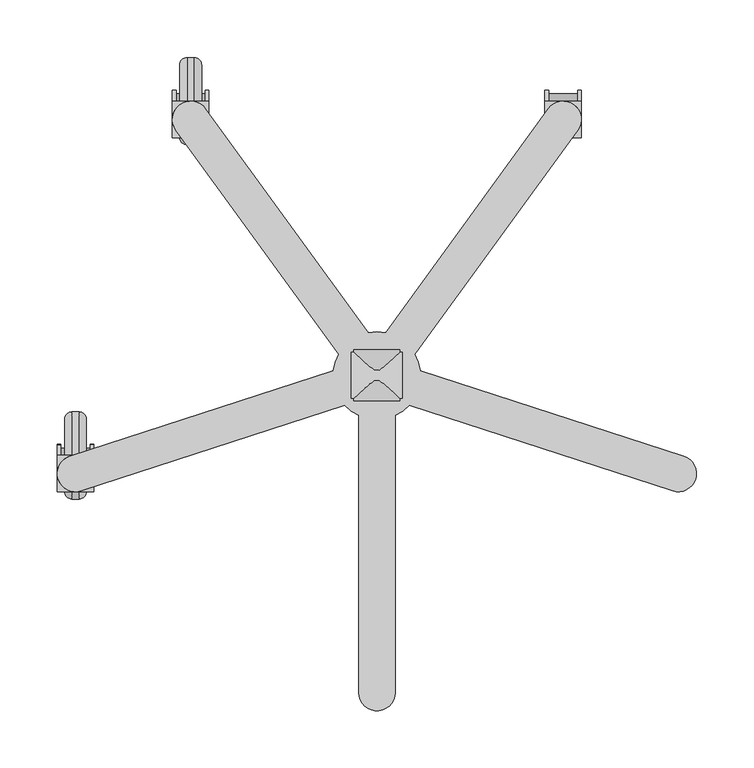
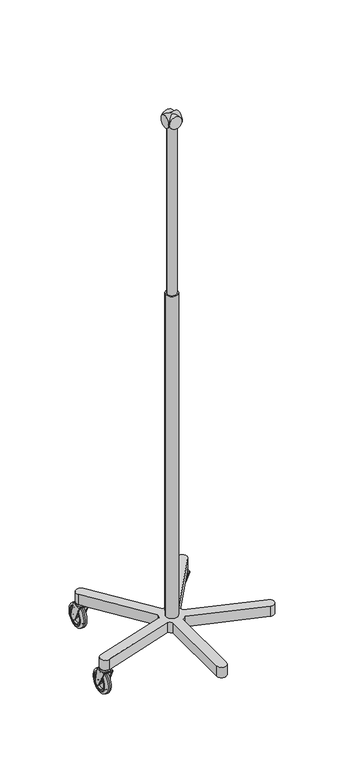
"""IFC4 building model written with IfcOpenShell, lengths in millimetres: proxy geometry."""

from ifc_helpers import new_model, si_unit, point, frame, frame_2d, origin, origin_2d, place, context, project, spatial, polyline, circle_curve, ellipse_curve, trimmed, segment, composite_curve, outline, extrude, source, transform, mapped, element, save
from ifc_brep_helpers import plane_surface, cylinder_surface, revolved_surface, advanced_brep


def specialty_equipment_94c2f83c(model_context):
    return source(origin(), model_context, "Body", "SolidModel", [
        advanced_brep(
        [(178.2359813, 248.6494633, 40.1410714), (178.2359813, 239.3457193, 82.55), (178.2359813, 239.3457193, 85.725), (178.2359813, 207.5957193, 85.725), (178.2359813, 207.5957193, 82.55), (178.2359813, 230.7482792, 34.0000428), (175.0609813, 248.6494633, 40.1410714), (175.0609813, 230.7482792, 34.0000428), (175.0609813, 207.5957193, 82.55), (175.0609813, 239.3457193, 82.55), (175.0609813, 232.9957193, 38.1), (175.0609813, 245.6957193, 38.1), (149.6609813, 245.6957193, 38.1), (149.6609813, 232.9957193, 38.1), (146.4859813, 248.6494633, 40.1410714), (146.4859813, 230.7482792, 34.0000428), (146.4859813, 207.5957193, 82.55), (146.4859813, 207.5957193, 85.725), (146.4859813, 239.3457193, 85.725), (146.4859813, 239.3457193, 82.55), (149.6609813, 248.6494633, 40.1410714), (149.6609813, 239.3457193, 82.55), (149.6609813, 207.5957193, 82.55), (149.6609813, 230.7482792, 34.0000428)],
        [
            (0, 1),
            (1, 2),
            (2, 3),
            (3, 4),
            (4, 5),
            (5, 0, circle_curve(frame((178.2359813, 239.3457193, 38.1), z_axis=(1.0, -3.968714246127546e-12, 0.0), x_axis=(-3.968714246127546e-12, -1.0, 0.0)), 9.525)),
            (6, 7, circle_curve(frame((175.0609813, 239.3457193, 38.1), z_axis=(-1.0, 3.968714246127546e-12, 0.0), x_axis=(-3.968714246127546e-12, -1.0, 0.0)), 9.525)),
            (7, 8),
            (8, 9),
            (9, 6),
            (10, 11, circle_curve(frame((175.0609813, 239.3457193, 38.1), z_axis=(1.0, -3.968714246127546e-12, 0.0), x_axis=(-3.968714246127546e-12, -1.0, 0.0)), 6.35)),
            (11, 10, circle_curve(frame((175.0609813, 239.3457193, 38.1), z_axis=(1.0, -3.968714246127546e-12, 0.0), x_axis=(-3.968714246127546e-12, -1.0, 0.0)), 6.35)),
            (0, 6),
            (9, 1),
            (4, 8),
            (7, 5),
            (12, 11),
            (10, 13),
            (13, 12, circle_curve(frame((149.6609813, 239.3457193, 38.1), z_axis=(1.0, -3.968714246127546e-12, 0.0), x_axis=(-3.968714246127546e-12, -1.0, 0.0)), 6.35)),
            (12, 13, circle_curve(frame((149.6609813, 239.3457193, 38.1), z_axis=(1.0, -3.968714246127546e-12, 0.0), x_axis=(-3.968714246127546e-12, -1.0, 0.0)), 6.35)),
            (14, 15, circle_curve(frame((146.4859813, 239.3457193, 38.1), z_axis=(-1.0, 3.968714246127546e-12, 0.0), x_axis=(-3.968714246127546e-12, -1.0, 0.0)), 9.525)),
            (15, 16),
            (16, 17),
            (17, 18),
            (18, 19),
            (19, 14),
            (20, 21),
            (21, 22),
            (22, 23),
            (23, 20, circle_curve(frame((149.6609813, 239.3457193, 38.1), z_axis=(1.0, -3.968714246127546e-12, 0.0), x_axis=(-3.968714246127546e-12, -1.0, 0.0)), 9.525)),
            (14, 20),
            (23, 15),
            (22, 16),
            (19, 21),
            (2, 18),
            (17, 3),
            (21, 9),
            (8, 22),
        ],
        [
            plane_surface(frame((178.2359813, 239.3457193, 82.55), z_axis=(1.0, -3.968714246127546e-12, 0.0), x_axis=(0.0, -0.21428571428571286, 0.9767710236555248))),
            plane_surface(frame((175.0609813, 239.3457193, 82.55), z_axis=(-1.0, 3.968714246127546e-12, 0.0), x_axis=(0.0, 0.21428571428571286, -0.9767710236555248))),
            plane_surface(frame((178.2359813, 248.6494633, 40.1410714), z_axis=(3.876633520154292e-12, 0.9767710236555248, 0.21428571428571286), x_axis=(-1.0, 3.968825268430008e-12, 0.0))),
            plane_surface(frame((178.2359813, 207.5957193, 82.55), z_axis=(-3.5823346391922366e-12, -0.9026183812343395, -0.4304417008816649), x_axis=(-1.0, 3.968825268430008e-12, 0.0))),
            cylinder_surface(frame((175.0609813, 239.3457193, 38.1), z_axis=(1.0, -3.968714246127546e-12, 0.0), x_axis=(-3.968714246127546e-12, -1.0, 0.0)), 9.525),
            cylinder_surface(frame((175.0609813, 239.3457193, 38.1), z_axis=(-1.0, 3.968714246127546e-12, 0.0), x_axis=(-3.968714246127546e-12, -1.0, 0.0)), 6.35),
            plane_surface(frame((146.4859813, 229.8207193, 38.1), z_axis=(-1.0, 3.968714246127546e-12, 0.0), x_axis=(0.0, 0.0, 1.0))),
            plane_surface(frame((149.6609813, 229.8207193, 38.1), z_axis=(1.0, -3.968714246127546e-12, 0.0), x_axis=(0.0, 0.0, -1.0))),
            cylinder_surface(frame((149.6609813, 239.3457193, 38.1), z_axis=(-1.0, 3.968714246127546e-12, 0.0), x_axis=(-3.968714246127546e-12, -1.0, 0.0)), 9.525),
            plane_surface(frame((146.4859813, 230.7482792, 34.0000428), z_axis=(-3.5823346391922366e-12, -0.9026183812343395, -0.4304417008816649), x_axis=(1.0, -3.968825268430008e-12, 0.0))),
            plane_surface(frame((146.4859813, 239.3457193, 82.55), z_axis=(3.876633520154292e-12, 0.9767710236555248, 0.21428571428571286), x_axis=(1.0, -3.968825268430008e-12, 0.0))),
            plane_surface(frame((178.2359813, 239.3457193, 85.725), z_axis=(0.0, 0.0, 1.0), x_axis=(3.968692041667055e-12, 1.0, 0.0))),
            plane_surface(frame((178.2359813, 239.3457193, 82.55), z_axis=(0.0, 0.0, -1.0), x_axis=(-3.968692041667055e-12, -1.0, 0.0))),
            plane_surface(frame((178.2359813, 239.3457193, 85.725), z_axis=(3.9687586550484555e-12, 1.0, 0.0), x_axis=(0.0, 0.0, -1.0))),
            plane_surface(frame((146.4859813, 207.5957193, 85.725), z_axis=(-3.968692041666978e-12, -1.0, 0.0), x_axis=(0.0, 0.0, -1.0))),
        ],
        [
            (0, [[1, 2, 3, 4, 5, 6]]),
            (1, [[7, 8, 9, 10], [11, 12]]),
            (2, [[-1, 13, -10, 14]]),
            (3, [[-5, 15, -8, 16]]),
            (4, [[-6, -16, -7, -13]]),
            (5, [[17, -11, 18, 19]]),
            (5, [[-17, 20, -18, -12]]),
            (6, [[21, 22, 23, 24, 25, 26]]),
            (7, [[27, 28, 29, 30], [-19, -20]]),
            (8, [[-21, 31, -30, 32]]),
            (9, [[-22, -32, -29, 33]]),
            (10, [[-26, 34, -27, -31]]),
            (11, [[-3, 35, -24, 36]]),
            (12, [[37, -9, 38, -28]]),
            (13, [[-35, -2, -14, -37, -34, -25]]),
            (14, [[-36, -23, -33, -38, -15, -4]]),
        ],
    ),
        extrude(outline(composite_curve([segment(trimmed(circle_curve(frame_2d((162.3609813, 223.4707193)), 15.875), [point((162.3609813, 239.3457193))], [point((162.3609813, 207.5957193))], False, "CARTESIAN"), True, "CONTINUOUS"), segment(trimmed(circle_curve(frame_2d((162.3609813, 223.4707193)), 15.875), [point((162.3609813, 207.5957193))], [point((162.3609813, 239.3457193))], False, "CARTESIAN"), True, "CONTINUOUS")], self_intersect=False)), frame((0.0, 0.0, 85.725), z_axis=(0.0, 0.0, 1.0), x_axis=(1.0, 0.0, 0.0)), (0.0, 0.0, 1.0), 6.35),
        advanced_brep(
        [(-171.8859813, 239.3457193, 6.35), (-171.8859813, 239.3457193, 69.85), (-165.5359813, 239.3457193, 76.2), (-165.5359813, 239.3457193, 0.0), (-171.8859813, 239.3457193, 10.16), (-171.8859813, 239.3457193, 66.04), (-152.8359813, 239.3457193, 10.16), (-152.8359813, 239.3457193, 66.04), (-152.8359813, 239.3457193, 6.35), (-152.8359813, 239.3457193, 69.85), (-159.1859813, 239.3457193, 0.0), (-159.1859813, 239.3457193, 76.2)],
        [
            (0, 1, circle_curve(frame((-171.8859813, 239.3457193, 38.1), z_axis=(1.0, 0.0, 0.0), x_axis=(0.0, 0.0, 1.0)), 31.75)),
            (1, 2, circle_curve(frame((-165.5359813, 239.3457193, 69.85), z_axis=(0.0, 0.9999999999999999, 0.0), x_axis=(0.9999999999999999, 0.0, 0.0)), 6.35)),
            (2, 3, circle_curve(frame((-165.5359813, 239.3457193, 38.1), z_axis=(-1.0, 0.0, 0.0), x_axis=(0.0, 0.0, 1.0)), 38.1)),
            (3, 0, circle_curve(frame((-165.5359813, 239.3457193, 6.35), z_axis=(0.0, 0.9999999999999999, 0.0), x_axis=(0.9999999999999999, 0.0, 0.0)), 6.35)),
            (1, 0, circle_curve(frame((-171.8859813, 239.3457193, 38.1), z_axis=(1.0, 0.0, 0.0), x_axis=(0.0, 0.0, 1.0)), 31.75)),
            (3, 2, circle_curve(frame((-165.5359813, 239.3457193, 38.1), z_axis=(-1.0, 0.0, 0.0), x_axis=(0.0, 0.0, 1.0)), 38.1)),
            (4, 5, circle_curve(frame((-171.8859813, 239.3457193, 38.1), z_axis=(1.0, 0.0, 0.0), x_axis=(0.0, 0.0, 1.0)), 27.94)),
            (5, 1),
            (0, 4),
            (5, 4, circle_curve(frame((-171.8859813, 239.3457193, 38.1), z_axis=(1.0, 0.0, 0.0), x_axis=(0.0, 0.0, 1.0)), 27.94)),
            (6, 7, circle_curve(frame((-152.8359813, 239.3457193, 38.1), z_axis=(1.0, 0.0, 0.0), x_axis=(0.0, 0.0, 1.0)), 27.94)),
            (7, 5),
            (4, 6),
            (7, 6, circle_curve(frame((-152.8359813, 239.3457193, 38.1), z_axis=(1.0, 0.0, 0.0), x_axis=(0.0, 0.0, 1.0)), 27.94)),
            (8, 9, circle_curve(frame((-152.8359813, 239.3457193, 38.1), z_axis=(1.0, 0.0, 0.0), x_axis=(0.0, 0.0, 1.0)), 31.75)),
            (9, 7),
            (6, 8),
            (9, 8, circle_curve(frame((-152.8359813, 239.3457193, 38.1), z_axis=(1.0, 0.0, 0.0), x_axis=(0.0, 0.0, 1.0)), 31.75)),
            (10, 11, circle_curve(frame((-159.1859813, 239.3457193, 38.1), z_axis=(1.0, 0.0, 0.0), x_axis=(0.0, 0.0, 1.0)), 38.1)),
            (11, 9, circle_curve(frame((-159.1859813, 239.3457193, 69.85), z_axis=(0.0, 0.9999999999999999, 0.0), x_axis=(0.9999999999999999, 0.0, 0.0)), 6.35)),
            (8, 10, circle_curve(frame((-159.1859813, 239.3457193, 6.35), z_axis=(0.0, 0.9999999999999999, 0.0), x_axis=(0.9999999999999999, 0.0, 0.0)), 6.35)),
            (11, 10, circle_curve(frame((-159.1859813, 239.3457193, 38.1), z_axis=(1.0, 0.0, 0.0), x_axis=(0.0, 0.0, 1.0)), 38.1)),
            (2, 11),
            (10, 3),
        ],
        [
            revolved_surface(trimmed(ellipse_curve(frame((-165.5359813, 239.3457193, 69.85), z_axis=(0.0, -0.9999999999999999, 0.0), x_axis=(0.9999999999999999, 0.0, 0.0)), 6.35, 6.35), [point((-165.5359813, 239.3457193, 76.2))], [point((-171.8859813, 239.3457193, 69.85))], True, "CARTESIAN"), (-184.5859813, 239.3457193, 38.1), (-0.9999999999999999, 0.0, 0.0)),
            plane_surface(frame((-171.8859813, 239.3457193, 38.1), z_axis=(-1.0, 0.0, 0.0), x_axis=(0.0, 0.0, 1.0))),
            revolved_surface(polyline([(-171.8859813, 239.3457193, 66.04), (-152.8359813, 239.3457193, 66.04)]), (-184.5859813, 239.3457193, 38.1), (-0.9999999999999999, 0.0, 0.0)),
            plane_surface(frame((-152.8359813, 239.3457193, 38.1), z_axis=(1.0, 0.0, 0.0), x_axis=(0.0, 0.0, 1.0))),
            revolved_surface(trimmed(ellipse_curve(frame((-159.1859813, 239.3457193, 69.85), z_axis=(0.0, -0.9999999999999999, 0.0), x_axis=(0.9999999999999999, 0.0, 0.0)), 6.35, 6.35), [point((-152.8359813, 239.3457193, 69.85))], [point((-159.1859813, 239.3457193, 76.2))], True, "CARTESIAN"), (-184.5859813, 239.3457193, 38.1), (-0.9999999999999999, 0.0, 0.0)),
            cylinder_surface(frame((-184.5859813, 239.3457193, 38.1), z_axis=(-0.9999999999999999, 0.0, 0.0), x_axis=(0.0, 0.0, 1.0)), 38.1),
        ],
        [
            (0, [[1, 2, 3, 4]]),
            (0, [[5, -4, 6, -2]]),
            (1, [[7, 8, -1, 9]]),
            (1, [[10, -9, -5, -8]]),
            (2, [[11, 12, -7, 13]]),
            (2, [[14, -13, -10, -12]]),
            (3, [[15, 16, -11, 17]]),
            (3, [[18, -17, -14, -16]]),
            (4, [[19, 20, -15, 21]]),
            (4, [[22, -21, -18, -20]]),
            (5, [[-3, 23, -19, 24]]),
            (5, [[-6, -24, -22, -23]]),
        ],
    ),
        advanced_brep(
        [(-171.8859813, 267.2857193, 38.1), (-171.8859813, 211.4057193, 38.1), (-171.8859813, 262.2057193, 38.1), (-171.8859813, 216.4857193, 38.1), (-171.8859813, 245.6957193, 38.1), (-171.8859813, 232.9957193, 38.1), (-165.5359813, 267.2857193, 38.1), (-165.5359813, 211.4057193, 38.1), (-165.5359813, 245.6957193, 38.1), (-165.5359813, 232.9957193, 38.1), (-165.5359813, 262.2057193, 38.1), (-165.5359813, 216.4857193, 38.1), (-159.1859813, 216.4857193, 38.1), (-159.1859813, 262.2057193, 38.1), (-159.1859813, 232.9957193, 38.1), (-159.1859813, 245.6957193, 38.1), (-159.1859813, 267.2857193, 38.1), (-159.1859813, 211.4057193, 38.1), (-152.8359813, 267.2857193, 38.1), (-152.8359813, 211.4057193, 38.1), (-152.8359813, 262.2057193, 38.1), (-152.8359813, 216.4857193, 38.1), (-152.8359813, 245.6957193, 38.1), (-152.8359813, 232.9957193, 38.1)],
        [
            (0, 1, circle_curve(frame((-171.8859813, 239.3457193, 38.1), z_axis=(-1.0, 3.888944721808229e-12, 0.0), x_axis=(-3.888944721808228e-12, -0.9999999999999999, 0.0)), 27.94)),
            (1, 0, circle_curve(frame((-171.8859813, 239.3457193, 38.1), z_axis=(-1.0, 3.888944721808229e-12, 0.0), x_axis=(-3.888944721808228e-12, -0.9999999999999999, 0.0)), 27.94)),
            (2, 3, circle_curve(frame((-171.8859813, 239.3457193, 38.1), z_axis=(1.0, -3.888944721808229e-12, 0.0), x_axis=(-3.888944721808228e-12, -0.9999999999999999, 0.0)), 22.86)),
            (3, 2, circle_curve(frame((-171.8859813, 239.3457193, 38.1), z_axis=(1.0, -3.888944721808229e-12, 0.0), x_axis=(-3.888944721808228e-12, -0.9999999999999999, 0.0)), 22.86)),
            (4, 5, circle_curve(frame((-171.8859813, 239.3457193, 38.1), z_axis=(-1.0, 3.888944721808229e-12, 0.0), x_axis=(-3.888944721808228e-12, -0.9999999999999999, 0.0)), 6.35)),
            (5, 4, circle_curve(frame((-171.8859813, 239.3457193, 38.1), z_axis=(-1.0, 3.888944721808229e-12, 0.0), x_axis=(-3.888944721808228e-12, -0.9999999999999999, 0.0)), 6.35)),
            (0, 6),
            (6, 7, circle_curve(frame((-165.5359813, 239.3457193, 38.1), z_axis=(-1.0, 3.888944721808229e-12, 0.0), x_axis=(-3.888944721808228e-12, -0.9999999999999999, 0.0)), 27.94)),
            (7, 1),
            (7, 6, circle_curve(frame((-165.5359813, 239.3457193, 38.1), z_axis=(-1.0, 3.888944721808229e-12, 0.0), x_axis=(-3.888944721808228e-12, -0.9999999999999999, 0.0)), 27.94)),
            (4, 8),
            (8, 9, circle_curve(frame((-165.5359813, 239.3457193, 38.1), z_axis=(-1.0, 3.888944721808229e-12, 0.0), x_axis=(-3.888944721808228e-12, -0.9999999999999999, 0.0)), 6.35)),
            (9, 5),
            (9, 8, circle_curve(frame((-165.5359813, 239.3457193, 38.1), z_axis=(-1.0, 3.888944721808229e-12, 0.0), x_axis=(-3.888944721808228e-12, -0.9999999999999999, 0.0)), 6.35)),
            (2, 10),
            (10, 11, circle_curve(frame((-165.5359813, 239.3457193, 38.1), z_axis=(1.0, -3.888944721808229e-12, 0.0), x_axis=(-3.888944721808228e-12, -0.9999999999999999, 0.0)), 22.86)),
            (11, 3),
            (11, 10, circle_curve(frame((-165.5359813, 239.3457193, 38.1), z_axis=(1.0, -3.888944721808229e-12, 0.0), x_axis=(-3.888944721808228e-12, -0.9999999999999999, 0.0)), 22.86)),
            (12, 13, circle_curve(frame((-159.1859813, 239.3457193, 38.1), z_axis=(1.0, -3.888944721808229e-12, 0.0), x_axis=(-3.888944721808228e-12, -0.9999999999999999, 0.0)), 22.86)),
            (13, 12, circle_curve(frame((-159.1859813, 239.3457193, 38.1), z_axis=(1.0, -3.888944721808229e-12, 0.0), x_axis=(-3.888944721808228e-12, -0.9999999999999999, 0.0)), 22.86)),
            (14, 15, circle_curve(frame((-159.1859813, 239.3457193, 38.1), z_axis=(-1.0, 3.888944721808229e-12, 0.0), x_axis=(-3.888944721808228e-12, -0.9999999999999999, 0.0)), 6.35)),
            (15, 14, circle_curve(frame((-159.1859813, 239.3457193, 38.1), z_axis=(-1.0, 3.888944721808229e-12, 0.0), x_axis=(-3.888944721808228e-12, -0.9999999999999999, 0.0)), 6.35)),
            (6, 16),
            (16, 17, circle_curve(frame((-159.1859813, 239.3457193, 38.1), z_axis=(-1.0, 3.888944721808229e-12, 0.0), x_axis=(-3.888944721808228e-12, -0.9999999999999999, 0.0)), 27.94)),
            (17, 7),
            (17, 16, circle_curve(frame((-159.1859813, 239.3457193, 38.1), z_axis=(-1.0, 3.888944721808229e-12, 0.0), x_axis=(-3.888944721808228e-12, -0.9999999999999999, 0.0)), 27.94)),
            (18, 19, circle_curve(frame((-152.8359813, 239.3457193, 38.1), z_axis=(1.0, -3.888944721808229e-12, 0.0), x_axis=(-3.888944721808228e-12, -0.9999999999999999, 0.0)), 27.94)),
            (19, 18, circle_curve(frame((-152.8359813, 239.3457193, 38.1), z_axis=(1.0, -3.888944721808229e-12, 0.0), x_axis=(-3.888944721808228e-12, -0.9999999999999999, 0.0)), 27.94)),
            (20, 21, circle_curve(frame((-152.8359813, 239.3457193, 38.1), z_axis=(-1.0, 3.888944721808229e-12, 0.0), x_axis=(-3.888944721808228e-12, -0.9999999999999999, 0.0)), 22.86)),
            (21, 20, circle_curve(frame((-152.8359813, 239.3457193, 38.1), z_axis=(-1.0, 3.888944721808229e-12, 0.0), x_axis=(-3.888944721808228e-12, -0.9999999999999999, 0.0)), 22.86)),
            (22, 23, circle_curve(frame((-152.8359813, 239.3457193, 38.1), z_axis=(1.0, -3.888944721808229e-12, 0.0), x_axis=(-3.888944721808228e-12, -0.9999999999999999, 0.0)), 6.35)),
            (23, 22, circle_curve(frame((-152.8359813, 239.3457193, 38.1), z_axis=(1.0, -3.888944721808229e-12, 0.0), x_axis=(-3.888944721808228e-12, -0.9999999999999999, 0.0)), 6.35)),
            (18, 16),
            (17, 19),
            (22, 15),
            (14, 23),
            (20, 13),
            (12, 21),
        ],
        [
            plane_surface(frame((-171.8859813, 211.4057193, 38.1), z_axis=(-1.0, 3.888944721808229e-12, 0.0), x_axis=(0.0, 0.0, 1.0))),
            cylinder_surface(frame((-165.5359813, 239.3457193, 38.1), z_axis=(-0.9999999999999999, 3.888944721808228e-12, 0.0), x_axis=(-3.888944721808228e-12, -0.9999999999999999, 0.0)), 27.94),
            cylinder_surface(frame((-162.3609813, 239.3457193, 38.1), z_axis=(-0.9999999999999999, 3.888944721808228e-12, 0.0), x_axis=(-3.888944721808228e-12, -0.9999999999999999, 0.0)), 6.35),
            revolved_surface(polyline([(-165.5359813, 216.48571930001236, 38.1), (-171.8859813001778, 216.48571930003706, 38.1)]), (-162.3609813, 239.3457193, 38.1), (0.9999999999999999, -3.888944721808228e-12, 0.0)),
            plane_surface(frame((-165.5359813, 211.4057193, 38.1), z_axis=(-1.0, 3.888944721808229e-12, 0.0), x_axis=(0.0, 0.0, 1.0))),
            plane_surface(frame((-159.1859813, 211.4057193, 38.1), z_axis=(1.0, -3.888944721808229e-12, 0.0), x_axis=(0.0, 0.0, -1.0))),
            cylinder_surface(frame((-159.1859813, 239.3457193, 38.1), z_axis=(-0.9999999999999999, 3.888944721808228e-12, 0.0), x_axis=(-3.888944721808228e-12, -0.9999999999999999, 0.0)), 27.94),
            plane_surface(frame((-152.8359813, 211.4057193, 38.1), z_axis=(1.0, -3.888944721808229e-12, 0.0), x_axis=(0.0, 0.0, -1.0))),
            cylinder_surface(frame((-159.1859813, 239.3457193, 38.1), z_axis=(0.9999999999999999, -3.888944721808228e-12, 0.0), x_axis=(-3.888944721808228e-12, -0.9999999999999999, 0.0)), 27.94),
            cylinder_surface(frame((-162.3609813, 239.3457193, 38.1), z_axis=(0.9999999999999999, -3.888944721808228e-12, 0.0), x_axis=(-3.888944721808228e-12, -0.9999999999999999, 0.0)), 6.35),
            revolved_surface(polyline([(-159.18598130017782, 216.4857192999877, 38.1), (-152.8359813, 216.485719299963, 38.1)]), (-162.3609813, 239.3457193, 38.1), (-0.9999999999999999, 3.888944721808228e-12, 0.0)),
        ],
        [
            (0, [[1, 2], [3, 4]]),
            (0, [[5, 6]]),
            (1, [[-1, 7, 8, 9]]),
            (1, [[-2, -9, 10, -7]]),
            (2, [[-5, 11, 12, 13]]),
            (2, [[-6, -13, 14, -11]]),
            (3, [[-3, 15, 16, 17]]),
            (3, [[-4, -17, 18, -15]]),
            (4, [[-16, -18], [-12, -14]]),
            (5, [[19, 20], [21, 22]]),
            (6, [[23, 24, 25, -8]]),
            (6, [[-23, -10, -25, 26]]),
            (7, [[27, 28], [29, 30]]),
            (7, [[31, 32]]),
            (8, [[-27, 33, -26, 34]]),
            (8, [[-28, -34, -24, -33]]),
            (9, [[-31, 35, -21, 36]]),
            (9, [[-32, -36, -22, -35]]),
            (10, [[-29, 37, -19, 38]]),
            (10, [[-30, -38, -20, -37]]),
        ],
    ),
        advanced_brep(
        [(-146.4859813, 248.6494633, 40.1410714), (-146.4859813, 239.3457193, 82.55), (-146.4859813, 239.3457193, 85.725), (-146.4859813, 207.5957193, 85.725), (-146.4859813, 207.5957193, 82.55), (-146.4859813, 230.7482792, 34.0000428), (-149.6609813, 248.6494633, 40.1410714), (-149.6609813, 230.7482792, 34.0000428), (-149.6609813, 207.5957193, 82.55), (-149.6609813, 239.3457193, 82.55), (-149.6609813, 232.9957193, 38.1), (-149.6609813, 245.6957193, 38.1), (-175.0609813, 245.6957193, 38.1), (-175.0609813, 232.9957193, 38.1), (-178.2359813, 248.6494633, 40.1410714), (-178.2359813, 230.7482792, 34.0000428), (-178.2359813, 207.5957193, 82.55), (-178.2359813, 207.5957193, 85.725), (-178.2359813, 239.3457193, 85.725), (-178.2359813, 239.3457193, 82.55), (-175.0609813, 248.6494633, 40.1410714), (-175.0609813, 239.3457193, 82.55), (-175.0609813, 207.5957193, 82.55), (-175.0609813, 230.7482792, 34.0000428)],
        [
            (0, 1),
            (1, 2),
            (2, 3),
            (3, 4),
            (4, 5),
            (5, 0, circle_curve(frame((-146.4859813, 239.3457193, 38.1), z_axis=(1.0, -3.888944721808229e-12, 0.0), x_axis=(-3.888944721808228e-12, -0.9999999999999999, 0.0)), 9.525)),
            (6, 7, circle_curve(frame((-149.6609813, 239.3457193, 38.1), z_axis=(-1.0, 3.888944721808229e-12, 0.0), x_axis=(-3.888944721808228e-12, -0.9999999999999999, 0.0)), 9.525)),
            (7, 8),
            (8, 9),
            (9, 6),
            (10, 11, circle_curve(frame((-149.6609813, 239.3457193, 38.1), z_axis=(1.0, -3.888944721808229e-12, 0.0), x_axis=(-3.888944721808228e-12, -0.9999999999999999, 0.0)), 6.35)),
            (11, 10, circle_curve(frame((-149.6609813, 239.3457193, 38.1), z_axis=(1.0, -3.888944721808229e-12, 0.0), x_axis=(-3.888944721808228e-12, -0.9999999999999999, 0.0)), 6.35)),
            (0, 6),
            (9, 1),
            (4, 8),
            (7, 5),
            (12, 11),
            (10, 13),
            (13, 12, circle_curve(frame((-175.0609813, 239.3457193, 38.1), z_axis=(1.0, -3.888944721808229e-12, 0.0), x_axis=(-3.888944721808228e-12, -0.9999999999999999, 0.0)), 6.35)),
            (12, 13, circle_curve(frame((-175.0609813, 239.3457193, 38.1), z_axis=(1.0, -3.888944721808229e-12, 0.0), x_axis=(-3.888944721808228e-12, -0.9999999999999999, 0.0)), 6.35)),
            (14, 15, circle_curve(frame((-178.2359813, 239.3457193, 38.1), z_axis=(-1.0, 3.888944721808229e-12, 0.0), x_axis=(-3.888944721808228e-12, -0.9999999999999999, 0.0)), 9.525)),
            (15, 16),
            (16, 17),
            (17, 18),
            (18, 19),
            (19, 14),
            (20, 21),
            (21, 22),
            (22, 23),
            (23, 20, circle_curve(frame((-175.0609813, 239.3457193, 38.1), z_axis=(1.0, -3.888944721808229e-12, 0.0), x_axis=(-3.888944721808228e-12, -0.9999999999999999, 0.0)), 9.525)),
            (14, 20),
            (23, 15),
            (22, 16),
            (19, 21),
            (2, 18),
            (17, 3),
            (21, 9),
            (8, 22),
        ],
        [
            plane_surface(frame((-146.4859813, 239.3457193, 82.55), z_axis=(1.0, -3.8889447218082296e-12, 0.0), x_axis=(0.0, -0.21428571428571286, 0.9767710236555249))),
            plane_surface(frame((-149.6609813, 239.3457193, 82.55), z_axis=(-1.0, 3.8889447218082296e-12, 0.0), x_axis=(0.0, 0.21428571428571286, -0.9767710236555249))),
            plane_surface(frame((-146.4859813, 248.6494633, 40.1410714), z_axis=(3.798716960228399e-12, 0.9767710236555249, 0.21428571428571286), x_axis=(-1.0, 3.889055744110691e-12, 0.0))),
            plane_surface(frame((-146.4859813, 207.5957193, 82.55), z_axis=(-3.5103332002793018e-12, -0.9026183812343395, -0.43044170088166483), x_axis=(-1.0, 3.889055744110691e-12, 0.0))),
            cylinder_surface(frame((-149.6609813, 239.3457193, 38.1), z_axis=(0.9999999999999999, -3.888944721808228e-12, 0.0), x_axis=(-3.888944721808228e-12, -0.9999999999999999, 0.0)), 9.525),
            cylinder_surface(frame((-149.6609813, 239.3457193, 38.1), z_axis=(-0.9999999999999999, 3.888944721808228e-12, 0.0), x_axis=(-3.888944721808228e-12, -0.9999999999999999, 0.0)), 6.35),
            plane_surface(frame((-178.2359813, 229.8207193, 38.1), z_axis=(-1.0, 3.888944721808229e-12, 0.0), x_axis=(0.0, 0.0, 1.0))),
            plane_surface(frame((-175.0609813, 229.8207193, 38.1), z_axis=(1.0, -3.888944721808229e-12, 0.0), x_axis=(0.0, 0.0, -1.0))),
            cylinder_surface(frame((-175.0609813, 239.3457193, 38.1), z_axis=(-0.9999999999999999, 3.888944721808228e-12, 0.0), x_axis=(-3.888944721808228e-12, -0.9999999999999999, 0.0)), 9.525),
            plane_surface(frame((-178.2359813, 230.7482792, 34.0000428), z_axis=(-3.5103332002793018e-12, -0.9026183812343395, -0.43044170088166483), x_axis=(1.0, -3.889055744110691e-12, 0.0))),
            plane_surface(frame((-178.2359813, 239.3457193, 82.55), z_axis=(3.798716960228399e-12, 0.9767710236555249, 0.21428571428571286), x_axis=(1.0, -3.889055744110691e-12, 0.0))),
            plane_surface(frame((-146.4859813, 239.3457193, 85.725), z_axis=(0.0, 0.0, 1.0), x_axis=(3.888922517347738e-12, 1.0, 0.0))),
            plane_surface(frame((-146.4859813, 239.3457193, 82.55), z_axis=(0.0, 0.0, -1.0), x_axis=(-3.888922517347738e-12, -1.0, 0.0))),
            plane_surface(frame((-146.4859813, 239.3457193, 85.725), z_axis=(3.888989130729139e-12, 1.0, 0.0), x_axis=(0.0, 0.0, -1.0))),
            plane_surface(frame((-178.2359813, 207.5957193, 85.725), z_axis=(-3.888922517347661e-12, -1.0, 0.0), x_axis=(0.0, 0.0, -1.0))),
        ],
        [
            (0, [[1, 2, 3, 4, 5, 6]]),
            (1, [[7, 8, 9, 10], [11, 12]]),
            (2, [[-1, 13, -10, 14]]),
            (3, [[-5, 15, -8, 16]]),
            (4, [[-6, -16, -7, -13]]),
            (5, [[17, -11, 18, 19]]),
            (5, [[-17, 20, -18, -12]]),
            (6, [[21, 22, 23, 24, 25, 26]]),
            (7, [[27, 28, 29, 30], [-19, -20]]),
            (8, [[-21, 31, -30, 32]]),
            (9, [[-22, -32, -29, 33]]),
            (10, [[-26, 34, -27, -31]]),
            (11, [[-3, 35, -24, 36]]),
            (12, [[37, -9, 38, -28]]),
            (13, [[-35, -2, -14, -37, -34, -25]]),
            (14, [[-36, -23, -33, -38, -15, -4]]),
        ],
    ),
        extrude(outline(composite_curve([segment(trimmed(circle_curve(frame_2d((-162.3609813, 223.4707193)), 15.875), [point((-162.3609813, 239.3457193))], [point((-162.3609813, 207.5957193))], False, "CARTESIAN"), True, "CONTINUOUS"), segment(trimmed(circle_curve(frame_2d((-162.3609813, 223.4707193)), 15.875), [point((-162.3609813, 207.5957193))], [point((-162.3609813, 239.3457193))], False, "CARTESIAN"), True, "CONTINUOUS")], self_intersect=False)), frame((0.0, 0.0, 85.725), z_axis=(0.0, 0.0, 1.0), x_axis=(1.0, 0.0, 0.0)), (0.0, 0.0, 1.0), 6.35),
        advanced_brep(
        [(-272.2305862, -69.4832193, 6.35), (-272.2305862, -69.4832193, 69.85), (-265.8805862, -69.4832193, 76.2), (-265.8805862, -69.4832193, 0.0), (-272.2305862, -69.4832193, 10.16), (-272.2305862, -69.4832193, 66.04), (-253.1805862, -69.4832193, 10.16), (-253.1805862, -69.4832193, 66.04), (-253.1805862, -69.4832193, 6.35), (-253.1805862, -69.4832193, 69.85), (-259.5305862, -69.4832193, 0.0), (-259.5305862, -69.4832193, 76.2)],
        [
            (0, 1, circle_curve(frame((-272.2305862, -69.4832193, 38.1), z_axis=(1.0, 0.0, 0.0), x_axis=(0.0, 0.0, 1.0)), 31.75)),
            (1, 2, circle_curve(frame((-265.8805862, -69.4832193, 69.85), z_axis=(0.0, 1.0, 0.0), x_axis=(1.0, 0.0, 0.0)), 6.35)),
            (2, 3, circle_curve(frame((-265.8805862, -69.4832193, 38.1), z_axis=(-1.0, 0.0, 0.0), x_axis=(0.0, 0.0, 1.0)), 38.1)),
            (3, 0, circle_curve(frame((-265.8805862, -69.4832193, 6.35), z_axis=(0.0, 1.0, 0.0), x_axis=(1.0, 0.0, 0.0)), 6.35)),
            (1, 0, circle_curve(frame((-272.2305862, -69.4832193, 38.1), z_axis=(1.0, 0.0, 0.0), x_axis=(0.0, 0.0, 1.0)), 31.75)),
            (3, 2, circle_curve(frame((-265.8805862, -69.4832193, 38.1), z_axis=(-1.0, 0.0, 0.0), x_axis=(0.0, 0.0, 1.0)), 38.1)),
            (4, 5, circle_curve(frame((-272.2305862, -69.4832193, 38.1), z_axis=(1.0, 0.0, 0.0), x_axis=(0.0, 0.0, 1.0)), 27.94)),
            (5, 1),
            (0, 4),
            (5, 4, circle_curve(frame((-272.2305862, -69.4832193, 38.1), z_axis=(1.0, 0.0, 0.0), x_axis=(0.0, 0.0, 1.0)), 27.94)),
            (6, 7, circle_curve(frame((-253.1805862, -69.4832193, 38.1), z_axis=(1.0, 0.0, 0.0), x_axis=(0.0, 0.0, 1.0)), 27.94)),
            (7, 5),
            (4, 6),
            (7, 6, circle_curve(frame((-253.1805862, -69.4832193, 38.1), z_axis=(1.0, 0.0, 0.0), x_axis=(0.0, 0.0, 1.0)), 27.94)),
            (8, 9, circle_curve(frame((-253.1805862, -69.4832193, 38.1), z_axis=(1.0, 0.0, 0.0), x_axis=(0.0, 0.0, 1.0)), 31.75)),
            (9, 7),
            (6, 8),
            (9, 8, circle_curve(frame((-253.1805862, -69.4832193, 38.1), z_axis=(1.0, 0.0, 0.0), x_axis=(0.0, 0.0, 1.0)), 31.75)),
            (10, 11, circle_curve(frame((-259.5305862, -69.4832193, 38.1), z_axis=(1.0, 0.0, 0.0), x_axis=(0.0, 0.0, 1.0)), 38.1)),
            (11, 9, circle_curve(frame((-259.5305862, -69.4832193, 69.85), z_axis=(0.0, 1.0, 0.0), x_axis=(1.0, 0.0, 0.0)), 6.35)),
            (8, 10, circle_curve(frame((-259.5305862, -69.4832193, 6.35), z_axis=(0.0, 1.0, 0.0), x_axis=(1.0, 0.0, 0.0)), 6.35)),
            (11, 10, circle_curve(frame((-259.5305862, -69.4832193, 38.1), z_axis=(1.0, 0.0, 0.0), x_axis=(0.0, 0.0, 1.0)), 38.1)),
            (2, 11),
            (10, 3),
        ],
        [
            revolved_surface(trimmed(ellipse_curve(frame((-265.8805862, -69.4832193, 69.85), z_axis=(0.0, -1.0, 0.0), x_axis=(1.0, 0.0, 0.0)), 6.35, 6.35), [point((-265.8805862, -69.4832193, 76.2))], [point((-272.2305862, -69.4832193, 69.85))], True, "CARTESIAN"), (-284.9305862, -69.4832193, 38.1), (-1.0, 0.0, 0.0)),
            plane_surface(frame((-272.2305862, -69.4832193, 38.1), z_axis=(-1.0, 0.0, 0.0), x_axis=(0.0, 0.0, 1.0))),
            revolved_surface(polyline([(-272.2305862, -69.4832193, 66.04), (-253.1805862, -69.4832193, 66.04)]), (-284.9305862, -69.4832193, 38.1), (-1.0, 0.0, 0.0)),
            plane_surface(frame((-253.1805862, -69.4832193, 38.1), z_axis=(1.0, 0.0, 0.0), x_axis=(0.0, 0.0, 1.0))),
            revolved_surface(trimmed(ellipse_curve(frame((-259.5305862, -69.4832193, 69.85), z_axis=(0.0, -1.0, 0.0), x_axis=(1.0, 0.0, 0.0)), 6.35, 6.35), [point((-253.1805862, -69.4832193, 69.85))], [point((-259.5305862, -69.4832193, 76.2))], True, "CARTESIAN"), (-284.9305862, -69.4832193, 38.1), (-1.0, 0.0, 0.0)),
            cylinder_surface(frame((-284.9305862, -69.4832193, 38.1), z_axis=(-1.0, 0.0, 0.0), x_axis=(0.0, 0.0, 1.0)), 38.1),
        ],
        [
            (0, [[1, 2, 3, 4]]),
            (0, [[5, -4, 6, -2]]),
            (1, [[7, 8, -1, 9]]),
            (1, [[10, -9, -5, -8]]),
            (2, [[11, 12, -7, 13]]),
            (2, [[14, -13, -10, -12]]),
            (3, [[15, 16, -11, 17]]),
            (3, [[18, -17, -14, -16]]),
            (4, [[19, 20, -15, 21]]),
            (4, [[22, -21, -18, -20]]),
            (5, [[-3, 23, -19, 24]]),
            (5, [[-6, -24, -22, -23]]),
        ],
    ),
        advanced_brep(
        [(-272.2305862, -41.5432193, 38.1), (-272.2305862, -97.4232193, 38.1), (-272.2305862, -46.6232193, 38.1), (-272.2305862, -92.3432193, 38.1), (-272.2305862, -63.1332193, 38.1), (-272.2305862, -75.8332193, 38.1), (-265.8805862, -41.5432193, 38.1), (-265.8805862, -97.4232193, 38.1), (-265.8805862, -63.1332193, 38.1), (-265.8805862, -75.8332193, 38.1), (-265.8805862, -46.6232193, 38.1), (-265.8805862, -92.3432193, 38.1), (-259.5305862, -92.3432193, 38.1), (-259.5305862, -46.6232193, 38.1), (-259.5305862, -75.8332193, 38.1), (-259.5305862, -63.1332193, 38.1), (-259.5305862, -41.5432193, 38.1), (-259.5305862, -97.4232193, 38.1), (-253.1805862, -41.5432193, 38.1), (-253.1805862, -97.4232193, 38.1), (-253.1805862, -46.6232193, 38.1), (-253.1805862, -92.3432193, 38.1), (-253.1805862, -63.1332193, 38.1), (-253.1805862, -75.8332193, 38.1)],
        [
            (0, 1, circle_curve(frame((-272.2305862, -69.4832193, 38.1), z_axis=(-1.0, 3.936795334169573e-12, 0.0), x_axis=(-3.936795334169573e-12, -1.0, 0.0)), 27.94)),
            (1, 0, circle_curve(frame((-272.2305862, -69.4832193, 38.1), z_axis=(-1.0, 3.936795334169573e-12, 0.0), x_axis=(-3.936795334169573e-12, -1.0, 0.0)), 27.94)),
            (2, 3, circle_curve(frame((-272.2305862, -69.4832193, 38.1), z_axis=(1.0, -3.936795334169573e-12, 0.0), x_axis=(-3.936795334169573e-12, -1.0, 0.0)), 22.86)),
            (3, 2, circle_curve(frame((-272.2305862, -69.4832193, 38.1), z_axis=(1.0, -3.936795334169573e-12, 0.0), x_axis=(-3.936795334169573e-12, -1.0, 0.0)), 22.86)),
            (4, 5, circle_curve(frame((-272.2305862, -69.4832193, 38.1), z_axis=(-1.0, 3.936795334169573e-12, 0.0), x_axis=(-3.936795334169573e-12, -1.0, 0.0)), 6.35)),
            (5, 4, circle_curve(frame((-272.2305862, -69.4832193, 38.1), z_axis=(-1.0, 3.936795334169573e-12, 0.0), x_axis=(-3.936795334169573e-12, -1.0, 0.0)), 6.35)),
            (0, 6),
            (6, 7, circle_curve(frame((-265.8805862, -69.4832193, 38.1), z_axis=(-1.0, 3.936795334169573e-12, 0.0), x_axis=(-3.936795334169573e-12, -1.0, 0.0)), 27.94)),
            (7, 1),
            (7, 6, circle_curve(frame((-265.8805862, -69.4832193, 38.1), z_axis=(-1.0, 3.936795334169573e-12, 0.0), x_axis=(-3.936795334169573e-12, -1.0, 0.0)), 27.94)),
            (4, 8),
            (8, 9, circle_curve(frame((-265.8805862, -69.4832193, 38.1), z_axis=(-1.0, 3.936795334169573e-12, 0.0), x_axis=(-3.936795334169573e-12, -1.0, 0.0)), 6.35)),
            (9, 5),
            (9, 8, circle_curve(frame((-265.8805862, -69.4832193, 38.1), z_axis=(-1.0, 3.936795334169573e-12, 0.0), x_axis=(-3.936795334169573e-12, -1.0, 0.0)), 6.35)),
            (2, 10),
            (10, 11, circle_curve(frame((-265.8805862, -69.4832193, 38.1), z_axis=(1.0, -3.936795334169573e-12, 0.0), x_axis=(-3.936795334169573e-12, -1.0, 0.0)), 22.86)),
            (11, 3),
            (11, 10, circle_curve(frame((-265.8805862, -69.4832193, 38.1), z_axis=(1.0, -3.936795334169573e-12, 0.0), x_axis=(-3.936795334169573e-12, -1.0, 0.0)), 22.86)),
            (12, 13, circle_curve(frame((-259.5305862, -69.4832193, 38.1), z_axis=(1.0, -3.936795334169573e-12, 0.0), x_axis=(-3.936795334169573e-12, -1.0, 0.0)), 22.86)),
            (13, 12, circle_curve(frame((-259.5305862, -69.4832193, 38.1), z_axis=(1.0, -3.936795334169573e-12, 0.0), x_axis=(-3.936795334169573e-12, -1.0, 0.0)), 22.86)),
            (14, 15, circle_curve(frame((-259.5305862, -69.4832193, 38.1), z_axis=(-1.0, 3.936795334169573e-12, 0.0), x_axis=(-3.936795334169573e-12, -1.0, 0.0)), 6.35)),
            (15, 14, circle_curve(frame((-259.5305862, -69.4832193, 38.1), z_axis=(-1.0, 3.936795334169573e-12, 0.0), x_axis=(-3.936795334169573e-12, -1.0, 0.0)), 6.35)),
            (6, 16),
            (16, 17, circle_curve(frame((-259.5305862, -69.4832193, 38.1), z_axis=(-1.0, 3.936795334169573e-12, 0.0), x_axis=(-3.936795334169573e-12, -1.0, 0.0)), 27.94)),
            (17, 7),
            (17, 16, circle_curve(frame((-259.5305862, -69.4832193, 38.1), z_axis=(-1.0, 3.936795334169573e-12, 0.0), x_axis=(-3.936795334169573e-12, -1.0, 0.0)), 27.94)),
            (18, 19, circle_curve(frame((-253.1805862, -69.4832193, 38.1), z_axis=(1.0, -3.936795334169573e-12, 0.0), x_axis=(-3.936795334169573e-12, -1.0, 0.0)), 27.94)),
            (19, 18, circle_curve(frame((-253.1805862, -69.4832193, 38.1), z_axis=(1.0, -3.936795334169573e-12, 0.0), x_axis=(-3.936795334169573e-12, -1.0, 0.0)), 27.94)),
            (20, 21, circle_curve(frame((-253.1805862, -69.4832193, 38.1), z_axis=(-1.0, 3.936795334169573e-12, 0.0), x_axis=(-3.936795334169573e-12, -1.0, 0.0)), 22.86)),
            (21, 20, circle_curve(frame((-253.1805862, -69.4832193, 38.1), z_axis=(-1.0, 3.936795334169573e-12, 0.0), x_axis=(-3.936795334169573e-12, -1.0, 0.0)), 22.86)),
            (22, 23, circle_curve(frame((-253.1805862, -69.4832193, 38.1), z_axis=(1.0, -3.936795334169573e-12, 0.0), x_axis=(-3.936795334169573e-12, -1.0, 0.0)), 6.35)),
            (23, 22, circle_curve(frame((-253.1805862, -69.4832193, 38.1), z_axis=(1.0, -3.936795334169573e-12, 0.0), x_axis=(-3.936795334169573e-12, -1.0, 0.0)), 6.35)),
            (18, 16),
            (17, 19),
            (22, 15),
            (14, 23),
            (20, 13),
            (12, 21),
        ],
        [
            plane_surface(frame((-272.2305862, -97.4232193, 38.1), z_axis=(-1.0, 3.936795334169573e-12, 0.0), x_axis=(0.0, 0.0, 1.0))),
            cylinder_surface(frame((-265.8805862, -69.4832193, 38.1), z_axis=(-1.0, 3.936795334169573e-12, 0.0), x_axis=(-3.936795334169573e-12, -1.0, 0.0)), 27.94),
            cylinder_surface(frame((-262.7055862, -69.4832193, 38.1), z_axis=(-1.0, 3.936795334169573e-12, 0.0), x_axis=(-3.936795334169573e-12, -1.0, 0.0)), 6.35),
            revolved_surface(polyline([(-265.8805862, -92.3432192999875, 38.1), (-272.23058620017997, -92.3432192999625, 38.1)]), (-262.7055862, -69.4832193, 38.1), (1.0, -3.936795334169573e-12, 0.0)),
            plane_surface(frame((-265.8805862, -97.4232193, 38.1), z_axis=(-1.0, 3.936795334169573e-12, 0.0), x_axis=(0.0, 0.0, 1.0))),
            plane_surface(frame((-259.5305862, -97.4232193, 38.1), z_axis=(1.0, -3.936795334169573e-12, 0.0), x_axis=(0.0, 0.0, -1.0))),
            cylinder_surface(frame((-259.5305862, -69.4832193, 38.1), z_axis=(-1.0, 3.936795334169573e-12, 0.0), x_axis=(-3.936795334169573e-12, -1.0, 0.0)), 27.94),
            plane_surface(frame((-253.1805862, -97.4232193, 38.1), z_axis=(1.0, -3.936795334169573e-12, 0.0), x_axis=(0.0, 0.0, -1.0))),
            cylinder_surface(frame((-259.5305862, -69.4832193, 38.1), z_axis=(1.0, -3.936795334169573e-12, 0.0), x_axis=(-3.936795334169573e-12, -1.0, 0.0)), 27.94),
            cylinder_surface(frame((-262.7055862, -69.4832193, 38.1), z_axis=(1.0, -3.936795334169573e-12, 0.0), x_axis=(-3.936795334169573e-12, -1.0, 0.0)), 6.35),
            revolved_surface(polyline([(-259.53058620018, -92.3432193000125, 38.1), (-253.1805862, -92.3432193000375, 38.1)]), (-262.7055862, -69.4832193, 38.1), (-1.0, 3.936795334169573e-12, 0.0)),
        ],
        [
            (0, [[1, 2], [3, 4]]),
            (0, [[5, 6]]),
            (1, [[-1, 7, 8, 9]]),
            (1, [[-2, -9, 10, -7]]),
            (2, [[-5, 11, 12, 13]]),
            (2, [[-6, -13, 14, -11]]),
            (3, [[-3, 15, 16, 17]]),
            (3, [[-4, -17, 18, -15]]),
            (4, [[-16, -18], [-12, -14]]),
            (5, [[19, 20], [21, 22]]),
            (6, [[23, 24, 25, -8]]),
            (6, [[-23, -10, -25, 26]]),
            (7, [[27, 28], [29, 30]]),
            (7, [[31, 32]]),
            (8, [[-27, 33, -26, 34]]),
            (8, [[-28, -34, -24, -33]]),
            (9, [[-31, 35, -21, 36]]),
            (9, [[-32, -36, -22, -35]]),
            (10, [[-29, 37, -19, 38]]),
            (10, [[-30, -38, -20, -37]]),
        ],
    ),
        advanced_brep(
        [(-246.8305862, -60.1794753, 40.1410714), (-246.8305862, -69.4832193, 82.55), (-246.8305862, -69.4832193, 85.725), (-246.8305862, -101.2332193, 85.725), (-246.8305862, -101.2332193, 82.55), (-246.8305862, -78.0806594, 34.0000428), (-250.0055862, -60.1794753, 40.1410714), (-250.0055862, -78.0806594, 34.0000428), (-250.0055862, -101.2332193, 82.55), (-250.0055862, -69.4832193, 82.55), (-250.0055862, -75.8332193, 38.1), (-250.0055862, -63.1332193, 38.1), (-275.4055862, -63.1332193, 38.1), (-275.4055862, -75.8332193, 38.1), (-278.5805862, -60.1794753, 40.1410714), (-278.5805862, -78.0806594, 34.0000428), (-278.5805862, -101.2332193, 82.55), (-278.5805862, -101.2332193, 85.725), (-278.5805862, -69.4832193, 85.725), (-278.5805862, -69.4832193, 82.55), (-275.4055862, -60.1794753, 40.1410714), (-275.4055862, -69.4832193, 82.55), (-275.4055862, -101.2332193, 82.55), (-275.4055862, -78.0806594, 34.0000428)],
        [
            (0, 1),
            (1, 2),
            (2, 3),
            (3, 4),
            (4, 5),
            (5, 0, circle_curve(frame((-246.8305862, -69.4832193, 38.1), z_axis=(1.0, -3.936795334169573e-12, 0.0), x_axis=(-3.936795334169573e-12, -1.0, 0.0)), 9.525)),
            (6, 7, circle_curve(frame((-250.0055862, -69.4832193, 38.1), z_axis=(-1.0, 3.936795334169573e-12, 0.0), x_axis=(-3.936795334169573e-12, -1.0, 0.0)), 9.525)),
            (7, 8),
            (8, 9),
            (9, 6),
            (10, 11, circle_curve(frame((-250.0055862, -69.4832193, 38.1), z_axis=(1.0, -3.936795334169573e-12, 0.0), x_axis=(-3.936795334169573e-12, -1.0, 0.0)), 6.35)),
            (11, 10, circle_curve(frame((-250.0055862, -69.4832193, 38.1), z_axis=(1.0, -3.936795334169573e-12, 0.0), x_axis=(-3.936795334169573e-12, -1.0, 0.0)), 6.35)),
            (0, 6),
            (9, 1),
            (4, 8),
            (7, 5),
            (12, 11),
            (10, 13),
            (13, 12, circle_curve(frame((-275.4055862, -69.4832193, 38.1), z_axis=(1.0, -3.936795334169573e-12, 0.0), x_axis=(-3.936795334169573e-12, -1.0, 0.0)), 6.35)),
            (12, 13, circle_curve(frame((-275.4055862, -69.4832193, 38.1), z_axis=(1.0, -3.936795334169573e-12, 0.0), x_axis=(-3.936795334169573e-12, -1.0, 0.0)), 6.35)),
            (14, 15, circle_curve(frame((-278.5805862, -69.4832193, 38.1), z_axis=(-1.0, 3.936795334169573e-12, 0.0), x_axis=(-3.936795334169573e-12, -1.0, 0.0)), 9.525)),
            (15, 16),
            (16, 17),
            (17, 18),
            (18, 19),
            (19, 14),
            (20, 21),
            (21, 22),
            (22, 23),
            (23, 20, circle_curve(frame((-275.4055862, -69.4832193, 38.1), z_axis=(1.0, -3.936795334169573e-12, 0.0), x_axis=(-3.936795334169573e-12, -1.0, 0.0)), 9.525)),
            (14, 20),
            (23, 15),
            (22, 16),
            (19, 21),
            (2, 18),
            (17, 3),
            (21, 9),
            (8, 22),
        ],
        [
            plane_surface(frame((-246.8305862, -69.4832193, 82.55), z_axis=(1.0, -3.936795334169573e-12, 0.0), x_axis=(0.0, -0.21428571428571286, 0.9767710236555248))),
            plane_surface(frame((-250.0055862, -69.4832193, 82.55), z_axis=(-1.0, 3.936795334169573e-12, 0.0), x_axis=(0.0, 0.21428571428571286, -0.9767710236555248))),
            plane_surface(frame((-246.8305862, -60.1794753, 40.1410714), z_axis=(3.845456051847132e-12, 0.9767710236555248, 0.21428571428571286), x_axis=(-1.0, 3.936906356472035e-12, 0.0))),
            plane_surface(frame((-246.8305862, -101.2332193, 82.55), z_axis=(-3.5535240425499694e-12, -0.9026183812343395, -0.4304417008816649), x_axis=(-1.0, 3.936906356472035e-12, 0.0))),
            cylinder_surface(frame((-250.0055862, -69.4832193, 38.1), z_axis=(1.0, -3.936795334169573e-12, 0.0), x_axis=(-3.936795334169573e-12, -1.0, 0.0)), 9.525),
            cylinder_surface(frame((-250.0055862, -69.4832193, 38.1), z_axis=(-1.0, 3.936795334169573e-12, 0.0), x_axis=(-3.936795334169573e-12, -1.0, 0.0)), 6.35),
            plane_surface(frame((-278.5805862, -79.0082193, 38.1), z_axis=(-1.0, 3.936795334169573e-12, 0.0), x_axis=(0.0, 0.0, 1.0))),
            plane_surface(frame((-275.4055862, -79.0082193, 38.1), z_axis=(1.0, -3.936795334169573e-12, 0.0), x_axis=(0.0, 0.0, -1.0))),
            cylinder_surface(frame((-275.4055862, -69.4832193, 38.1), z_axis=(-1.0, 3.936795334169573e-12, 0.0), x_axis=(-3.936795334169573e-12, -1.0, 0.0)), 9.525),
            plane_surface(frame((-278.5805862, -78.0806594, 34.0000428), z_axis=(-3.5535240425499694e-12, -0.9026183812343395, -0.4304417008816649), x_axis=(1.0, -3.936906356472035e-12, 0.0))),
            plane_surface(frame((-278.5805862, -69.4832193, 82.55), z_axis=(3.845456051847132e-12, 0.9767710236555248, 0.21428571428571286), x_axis=(1.0, -3.936906356472035e-12, 0.0))),
            plane_surface(frame((-246.8305862, -69.4832193, 85.725), z_axis=(0.0, 0.0, 1.0), x_axis=(3.936773129709082e-12, 1.0, 0.0))),
            plane_surface(frame((-246.8305862, -69.4832193, 82.55), z_axis=(0.0, 0.0, -1.0), x_axis=(-3.936773129709082e-12, -1.0, 0.0))),
            plane_surface(frame((-246.8305862, -69.4832193, 85.725), z_axis=(3.936839743090482e-12, 1.0, 0.0), x_axis=(0.0, 0.0, -1.0))),
            plane_surface(frame((-278.5805862, -101.2332193, 85.725), z_axis=(-3.936773129709005e-12, -1.0, 0.0), x_axis=(0.0, 0.0, -1.0))),
        ],
        [
            (0, [[1, 2, 3, 4, 5, 6]]),
            (1, [[7, 8, 9, 10], [11, 12]]),
            (2, [[-1, 13, -10, 14]]),
            (3, [[-5, 15, -8, 16]]),
            (4, [[-6, -16, -7, -13]]),
            (5, [[17, -11, 18, 19]]),
            (5, [[-17, 20, -18, -12]]),
            (6, [[21, 22, 23, 24, 25, 26]]),
            (7, [[27, 28, 29, 30], [-19, -20]]),
            (8, [[-21, 31, -30, 32]]),
            (9, [[-22, -32, -29, 33]]),
            (10, [[-26, 34, -27, -31]]),
            (11, [[-3, 35, -24, 36]]),
            (12, [[37, -9, 38, -28]]),
            (13, [[-35, -2, -14, -37, -34, -25]]),
            (14, [[-36, -23, -33, -38, -15, -4]]),
        ],
    ),
        extrude(outline(composite_curve([segment(trimmed(circle_curve(frame_2d((-262.7055862, -85.3582193)), 15.875), [point((-262.7055862, -69.4832193))], [point((-262.7055862, -101.2332193))], False, "CARTESIAN"), True, "CONTINUOUS"), segment(trimmed(circle_curve(frame_2d((-262.7055862, -85.3582193)), 15.875), [point((-262.7055862, -101.2332193))], [point((-262.7055862, -69.4832193))], False, "CARTESIAN"), True, "CONTINUOUS")], self_intersect=False)), frame((0.0, 0.0, 85.725), z_axis=(0.0, 0.0, 1.0), x_axis=(1.0, 0.0, 0.0)), (0.0, 0.0, 1.0), 6.35),
        extrude(outline(composite_curve([segment(trimmed(circle_curve(frame_2d((0.0, 1807.6466997)), 19.9972619), [point((-19.9972619, 1807.6466997))], [point((19.9972619, 1807.6466997))], False, "CARTESIAN"), True, "CONTINUOUS"), segment(trimmed(circle_curve(frame_2d((0.0, 1807.6466997)), 19.9972619), [point((19.9972619, 1807.6466997))], [point((-19.9972619, 1807.6466997))], False, "CARTESIAN"), True, "CONTINUOUS")], self_intersect=False)), frame((-22.225, 0.0, 0.0), z_axis=(1.0, 0.0, 0.0), x_axis=(0.0, 1.0, 0.0)), (0.0, 0.0, 1.0), 44.45),
        extrude(outline(composite_curve([segment(trimmed(circle_curve(frame_2d((0.0, -276.225)), 15.875), [point((15.875, -276.225))], [point((-15.875, -276.225))], False, "CARTESIAN"), True, "CONTINUOUS"), segment(polyline([(-15.875, -276.225), (-15.875, -34.635161)]), True, "CONTINUOUS"), segment(trimmed(circle_curve(origin_2d(), 38.1), [point((-15.875, -34.635161))], [point((-28.0343507, -25.8008755))], False, "CARTESIAN"), True, "CONTINUOUS"), segment(polyline([(-28.0343507, -25.8008755), (-257.7999414, -100.4562415)]), True, "CONTINUOUS"), segment(trimmed(circle_curve(frame_2d((-262.7055862, -85.3582193)), 15.875), [point((-257.7999414, -100.4562415))], [point((-267.611231, -70.2601971))], False, "CARTESIAN"), True, "CONTINUOUS"), segment(polyline([(-267.611231, -70.2601971), (-37.8456403, 4.3951689)]), True, "CONTINUOUS"), segment(trimmed(circle_curve(origin_2d(), 38.1), [point((-37.8456403, 4.3951689))], [point((-33.2011816, 18.6893429))], False, "CARTESIAN"), True, "CONTINUOUS"), segment(polyline([(-33.2011816, 18.6893429), (-175.2041261, 214.1396284)]), True, "CONTINUOUS"), segment(trimmed(circle_curve(frame_2d((-162.3609813, 223.4707193)), 15.875), [point((-175.2041261, 214.1396284))], [point((-149.5178365, 232.8018102))], False, "CARTESIAN"), True, "CONTINUOUS"), segment(polyline([(-149.5178365, 232.8018102), (-7.514892, 37.3515247)]), True, "CONTINUOUS"), segment(trimmed(circle_curve(origin_2d(), 38.1), [point((-7.514892, 37.3515247))], [point((7.514892, 37.3515247))], False, "CARTESIAN"), True, "CONTINUOUS"), segment(polyline([(7.514892, 37.3515247), (149.5178365, 232.8018102)]), True, "CONTINUOUS"), segment(trimmed(circle_curve(frame_2d((162.3609813, 223.4707193)), 15.875), [point((149.5178365, 232.8018102))], [point((175.2041261, 214.1396284))], False, "CARTESIAN"), True, "CONTINUOUS"), segment(polyline([(175.2041261, 214.1396284), (33.2011816, 18.6893429)]), True, "CONTINUOUS"), segment(trimmed(circle_curve(origin_2d(), 38.1), [point((33.2011816, 18.6893429))], [point((37.8456403, 4.3951689))], False, "CARTESIAN"), True, "CONTINUOUS"), segment(polyline([(37.8456403, 4.3951689), (267.611231, -70.2601971)]), True, "CONTINUOUS"), segment(trimmed(circle_curve(frame_2d((262.7055862, -85.3582193)), 15.875), [point((267.611231, -70.2601971))], [point((257.7999414, -100.4562415))], False, "CARTESIAN"), True, "CONTINUOUS"), segment(polyline([(257.7999414, -100.4562415), (28.0343507, -25.8008755)]), True, "CONTINUOUS"), segment(trimmed(circle_curve(origin_2d(), 38.1), [point((28.0343507, -25.8008755))], [point((15.875, -34.635161))], False, "CARTESIAN"), True, "CONTINUOUS"), segment(polyline([(15.875, -34.635161), (15.875, -276.225)]), True, "CONTINUOUS")], self_intersect=False)), frame((0.0, 0.0, 92.075), z_axis=(0.0, 0.0, 1.0), x_axis=(1.0, 0.0, 0.0)), (0.0, 0.0, 1.0), 34.925),
        extrude(outline(composite_curve([segment(trimmed(circle_curve(frame_2d((1807.6466997, 0.0)), 19.9972619), [point((1807.6466997, -19.9972619))], [point((1807.6466997, 19.9972619))], False, "CARTESIAN"), True, "CONTINUOUS"), segment(trimmed(circle_curve(frame_2d((1807.6466997, 0.0)), 19.9972619), [point((1807.6466997, 19.9972619))], [point((1807.6466997, -19.9972619))], False, "CARTESIAN"), True, "CONTINUOUS")], self_intersect=False)), frame((0.0, -22.225, 0.0), z_axis=(0.0, 1.0, 0.0), x_axis=(0.0, 0.0, 1.0)), (0.0, 0.0, 1.0), 44.45),
        extrude(outline(composite_curve([segment(trimmed(circle_curve(frame_2d((0.0, -0.8714542)), 14.5759188), [point((-14.5759188, -0.8714542))], [point((14.5759188, -0.8714542))], False, "CARTESIAN"), True, "CONTINUOUS"), segment(trimmed(circle_curve(frame_2d((0.0, -0.8714542)), 14.5759188), [point((14.5759188, -0.8714542))], [point((-14.5759188, -0.8714542))], False, "CARTESIAN"), True, "CONTINUOUS")], self_intersect=False)), frame((0.0, 0.0, 1219.2), z_axis=(0.0, 0.0, 1.0), x_axis=(1.0, 0.0, 0.0)), (0.0, 0.0, 1.0), 584.2),
        extrude(outline(composite_curve([segment(trimmed(circle_curve(frame_2d((0.0, -0.8714542)), 19.05), [point((-19.05, -0.8714542))], [point((19.05, -0.8714542))], False, "CARTESIAN"), True, "CONTINUOUS"), segment(trimmed(circle_curve(frame_2d((0.0, -0.8714542)), 19.05), [point((19.05, -0.8714542))], [point((-19.05, -0.8714542))], False, "CARTESIAN"), True, "CONTINUOUS")], self_intersect=False)), frame((0.0, 0.0, 127.0), z_axis=(0.0, 0.0, 1.0), x_axis=(1.0, 0.0, 0.0)), (0.0, 0.0, 1.0), 1092.2),
    ])


if __name__ == "__main__":
    model = new_model("IFC4")
    model_context = context("Model", 3, world=origin())
    ifc_project = project(units=[si_unit("LENGTHUNIT", "METRE", prefix="MILLI")], contexts=[model_context])
    site = spatial("IfcSite", under=ifc_project)
    building = spatial("IfcBuilding", under=site)
    placement = place(None, origin())
    specialty_equipment_shape = specialty_equipment_94c2f83c(model_context)
    element("IfcBuildingElementProxy", 1, Name="Specialty Equipment", at=placement, inside=building, context=model_context, shape_type="MappedRepresentation", body=[
        mapped(specialty_equipment_shape, transform((0.0, 0.0, 0.0), x_axis=(1.0, 0.0, 0.0), y_axis=(0.0, 1.0, 0.0), z_axis=(0.0, 0.0, 1.0))),
    ])
    save(model, "model.ifc")
